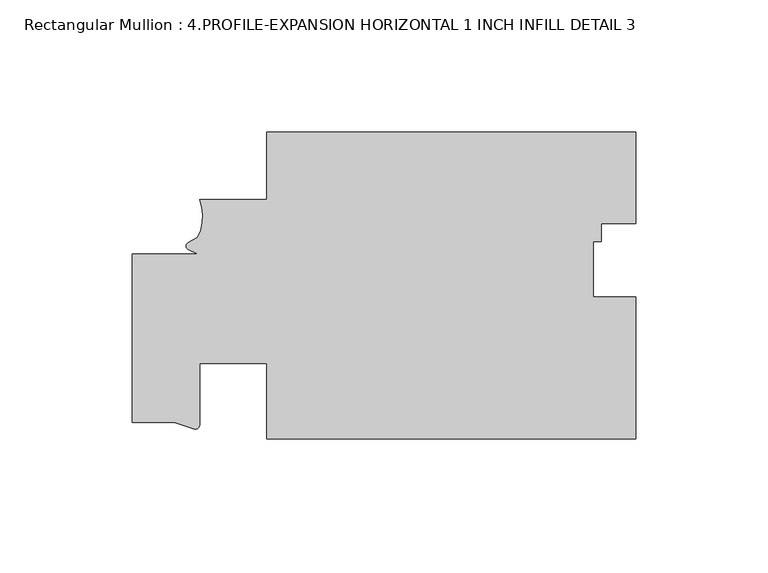
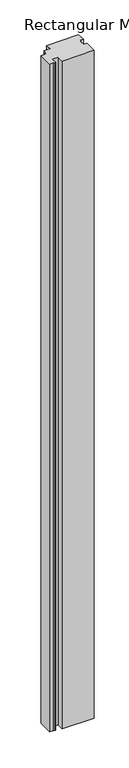
"""IFC4 building model written with IfcOpenShell, lengths in millimetres: member geometry, Rectangular Mullion : 4.PROFILE-EXPANSION HORIZONTAL 1 INCH INFILL DETAIL 3."""

from ifc_helpers import new_model, si_unit, point, frame, frame_2d, origin, place, context, project, spatial, polyline, circle_curve, trimmed, segment, composite_curve, outline, extrude, source, transform, mapped, element, save


def rectangular_mullion_4_profile_expansion_horizontal_1_inch_ba8d2e94(model_context):
    return source(origin(), model_context, "Body", "SweptSolid", [
        extrude(outline(composite_curve([segment(polyline([(-139.1915475, -64.0883724), (-139.1921293, -35.5134856), (-164.6229282, -35.5134856), (-164.6229282, -59.0227012)]), True, "CONTINUOUS"), segment(trimmed(circle_curve(frame_2d((-166.293412, -58.6896097)), 1.703369), [point((-164.6229282, -59.0227012))], [point((-166.1804292, -60.3892276))], False, "CARTESIAN"), True, "CONTINUOUS"), segment(polyline([(-166.1804292, -60.3892276), (-174.1170977, -57.7383724), (-189.992, -57.7383724), (-189.992, 5.7616276), (-165.3994238, 5.7616276), (-168.8755101, 7.5401732)]), True, "CONTINUOUS"), segment(trimmed(circle_curve(frame_2d((-168.3355965, 8.8286227)), 1.397), [point((-168.8755101, 7.5401732))], [point((-168.8755101, 10.1170723))], False, "CARTESIAN"), True, "CONTINUOUS"), segment(polyline([(-168.8755101, 10.1170723), (-165.4722422, 12.0623529)]), True, "CONTINUOUS"), segment(trimmed(circle_curve(frame_2d((-180.1250799, 20.1676101)), 16.7451739), [point((-165.4722422, 12.0623529))], [point((-164.592, 26.4225504))], True, "CARTESIAN"), True, "CONTINUOUS"), segment(polyline([(-164.592, 26.4225504), (-139.1920646, 26.4225504), (-139.1915475, 51.8224371), (0.0, 51.8224371), (0.0, 17.3313262), (-13.0437992, 17.3313262), (-13.0437992, 10.4733265), (-15.8984045, 10.4733265), (-15.8984045, -10.4733265), (0.0, -10.4733265), (0.0, -64.0883724), (-139.1915475, -64.0883724)]), True, "CONTINUOUS")], self_intersect=False)), frame((0.0, 0.0, -3048.0), z_axis=(0.0, 0.0, 1.0), x_axis=(1.0, 0.0, 0.0)), (0.0, 0.0, 1.0), 3048.0),
    ])


if __name__ == "__main__":
    model = new_model("IFC4")
    model_context = context("Model", 3, world=origin())
    ifc_project = project(units=[si_unit("LENGTHUNIT", "METRE", prefix="MILLI")], contexts=[model_context])
    site = spatial("IfcSite", under=ifc_project)
    building = spatial("IfcBuilding", under=site)
    placement = place(None, origin())
    rectangular_mullion_4_profile_expansion_horizontal_1_inch_shape = rectangular_mullion_4_profile_expansion_horizontal_1_inch_ba8d2e94(model_context)
    element("IfcMember", 1, ObjectType="Rectangular Mullion : 4.PROFILE-EXPANSION HORIZONTAL 1 INCH INFILL DETAIL 3", at=placement, inside=building, context=model_context, shape_type="MappedRepresentation", body=[
        mapped(rectangular_mullion_4_profile_expansion_horizontal_1_inch_shape, transform((0.0, 0.0, 0.0), x_axis=(1.0, 0.0, 0.0), y_axis=(0.0, 1.0, 0.0), z_axis=(0.0, 0.0, 1.0))),
    ])
    save(model, "model.ifc")
